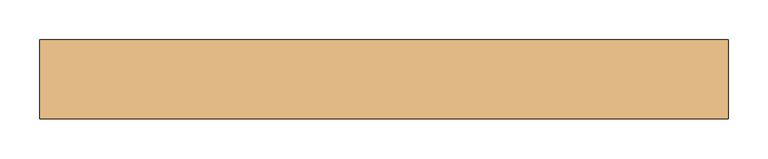
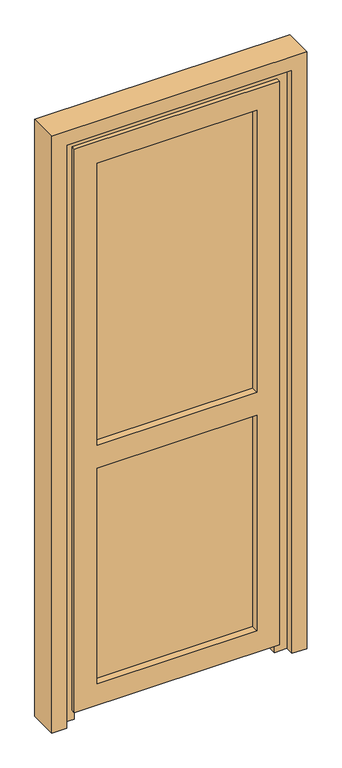
"""IFC4 building model written with IfcOpenShell, lengths in millimetres: door geometry."""

from ifc_helpers import new_model, si_unit, frame, origin, place, context, project, spatial, polyline, outline, extrude, faceted_brep, source, transform, mapped, element, save


def door_75581b8d(model_context):
    return source(origin(), model_context, "Body", "SolidModel", [
        extrude(outline(polyline([(-288.0, 23.0), (288.0, 23.0), (288.0, -1.0), (-288.0, -1.0), (-288.0, 23.0)])), frame((0.0, 0.0, 956.0), z_axis=(0.0, 0.0, 1.0), x_axis=(1.0, 0.0, 0.0)), (0.0, 0.0, 1.0), 1047.0),
        extrude(outline(polyline([(-288.0, 23.0), (288.0, 23.0), (288.0, -1.0), (-288.0, -1.0), (-288.0, 23.0)])), frame((0.0, 0.0, 97.0), z_axis=(0.0, 0.0, 1.0), x_axis=(1.0, 0.0, 0.0)), (0.0, 0.0, 1.0), 807.0),
        faceted_brep([(-273.0, -27.0, 112.0), (-273.0, -1.0, 112.0), (-273.0, -1.0, 889.0), (-273.0, -27.0, 889.0), (-273.0, -1.0, 1988.0), (-273.0, -27.0, 1988.0), (-273.0, -27.0, 971.0), (-273.0, -1.0, 971.0), (-288.0, -1.0, 904.0), (-288.0, -1.0, 97.0), (-288.0, 23.0, 97.0), (-288.0, 23.0, 904.0), (-288.0, 23.0, 956.0), (-288.0, 23.0, 2003.0), (-288.0, -1.0, 2003.0), (-288.0, -1.0, 956.0), (-273.0, 23.0, 112.0), (-273.0, 43.0, 112.0), (-273.0, 43.0, 889.0), (-273.0, 23.0, 889.0), (-273.0, 43.0, 1988.0), (-273.0, 23.0, 1988.0), (-273.0, 23.0, 971.0), (-273.0, 43.0, 971.0), (-330.0, -13.0, 2045.0), (-330.0, 43.0, 2045.0), (-330.0, 43.0, 55.0), (-330.0, -13.0, 55.0), (-330.0, -13.0, 889.0), (-330.0, -13.0, 971.0), (-350.0, -27.0, 2065.0), (-350.0, -13.0, 2065.0), (-350.0, -13.0, 35.0), (-350.0, -27.0, 35.0), (273.0, -27.0, 112.0), (273.0, -1.0, 112.0), (288.0, -1.0, 97.0), (288.0, 23.0, 97.0), (273.0, 23.0, 112.0), (273.0, 43.0, 112.0), (330.0, 43.0, 55.0), (330.0, -13.0, 55.0), (350.0, -13.0, 35.0), (350.0, -27.0, 35.0), (273.0, -27.0, 889.0), (273.0, -1.0, 889.0), (273.0, -27.0, 1988.0), (273.0, -1.0, 1988.0), (273.0, -1.0, 971.0), (273.0, -27.0, 971.0), (288.0, -1.0, 956.0), (288.0, -1.0, 2003.0), (288.0, 23.0, 2003.0), (288.0, 23.0, 956.0), (288.0, 23.0, 904.0), (288.0, -1.0, 904.0), (273.0, 23.0, 889.0), (273.0, 43.0, 889.0), (273.0, 23.0, 1988.0), (273.0, 43.0, 1988.0), (273.0, 43.0, 971.0), (273.0, 23.0, 971.0), (330.0, 43.0, 2045.0), (330.0, -13.0, 2045.0), (330.0, -13.0, 971.0), (330.0, -13.0, 889.0), (350.0, -13.0, 2065.0), (350.0, -27.0, 2065.0)], [[[0, 1, 2, 3]], [[4, 5, 6, 7]], [[8, 9, 10, 11]], [[12, 13, 14, 15]], [[16, 17, 18, 19]], [[20, 21, 22, 23]], [[24, 25, 26, 27, 28, 29]], [[30, 31, 32, 33]], [[1, 0, 34, 35]], [[10, 9, 36, 37]], [[17, 16, 38, 39]], [[27, 26, 40, 41]], [[33, 32, 42, 43]], [[35, 34, 44, 45]], [[46, 47, 48, 49]], [[50, 51, 52, 53]], [[54, 37, 36, 55]], [[39, 38, 56, 57]], [[58, 59, 60, 61]], [[41, 40, 62, 63, 64, 65]], [[43, 42, 66, 67]], [[5, 4, 47, 46]], [[36, 9, 8, 55], [1, 35, 45, 2]], [[14, 51, 50, 15], [47, 4, 7, 48]], [[14, 13, 52, 51]], [[10, 37, 54, 11], [16, 19, 56, 38]], [[52, 13, 12, 53], [58, 61, 22, 21]], [[21, 20, 59, 58]], [[40, 26, 25, 62], [20, 23, 60, 59], [17, 39, 57, 18]], [[25, 24, 63, 62]], [[32, 31, 66, 42], [27, 41, 65, 64, 63, 24, 29, 28]], [[31, 30, 67, 66]], [[30, 33, 43, 67], [34, 0, 3, 44], [46, 49, 6, 5]], [[22, 61, 60, 23]], [[56, 19, 18, 57]], [[11, 54, 55, 8]], [[44, 3, 2, 45]], [[6, 49, 48, 7]], [[53, 12, 15, 50]]]),
        faceted_brep([(322.0, 59.0, 0.0), (385.0, 59.0, 0.0), (385.0, -11.0, 0.0), (342.0, -11.0, 0.0), (342.0, 45.0, 0.0), (322.0, 45.0, 0.0), (322.0, 59.0, 2037.0), (-322.0, 59.0, 2037.0), (-322.0, 59.0, 0.0), (-385.0, 59.0, 0.0), (-385.0, 59.0, 2100.0), (385.0, 59.0, 2100.0), (385.0, -11.0, 2100.0), (-385.0, -11.0, 2100.0), (-385.0, -11.0, 0.0), (-342.0, -11.0, 0.0), (-342.0, -11.0, 2057.0), (342.0, -11.0, 2057.0), (342.0, 45.0, 2057.0), (-342.0, 45.0, 2057.0), (-342.0, 45.0, 0.0), (-322.0, 45.0, 0.0), (-322.0, 45.0, 2037.0), (322.0, 45.0, 2037.0)], [[[0, 1, 2, 3, 4, 5]], [[1, 0, 6, 7, 8, 9, 10, 11]], [[2, 1, 11, 12]], [[3, 2, 12, 13, 14, 15, 16, 17]], [[4, 3, 17, 18]], [[5, 4, 18, 19, 20, 21, 22, 23]], [[0, 5, 23, 6]], [[7, 22, 21, 8]], [[8, 21, 20, 15, 14, 9]], [[13, 10, 9, 14]], [[19, 16, 15, 20]], [[12, 11, 10, 13]], [[18, 17, 16, 19]], [[6, 23, 22, 7]]]),
        extrude(outline(polyline([(0.0, 385.0), (0.0, 435.0), (2150.0, 435.0), (2150.0, -435.0), (0.0, -435.0), (0.0, -385.0), (2100.0, -385.0), (2100.0, 385.0), (0.0, 385.0)])), frame((0.0, -41.0, 0.0), z_axis=(0.0, 1.0, 0.0), x_axis=(0.0, 0.0, 1.0)), (0.0, 0.0, 1.0), 100.0),
    ])


if __name__ == "__main__":
    model = new_model("IFC4")
    model_context = context("Model", 3, world=origin())
    ifc_project = project(units=[si_unit("LENGTHUNIT", "METRE", prefix="MILLI")], contexts=[model_context])
    site = spatial("IfcSite", under=ifc_project)
    building = spatial("IfcBuilding", under=site)
    placement = place(None, origin())
    door_shape = door_75581b8d(model_context)
    element("IfcDoor", 1, at=placement, inside=building, context=model_context, shape_type="MappedRepresentation", body=[
        mapped(door_shape, transform((0.0, 0.0, 0.0), x_axis=(1.0, 0.0, 0.0), y_axis=(0.0, 1.0, 0.0), z_axis=(0.0, 0.0, 1.0))),
    ])
    save(model, "model.ifc")
